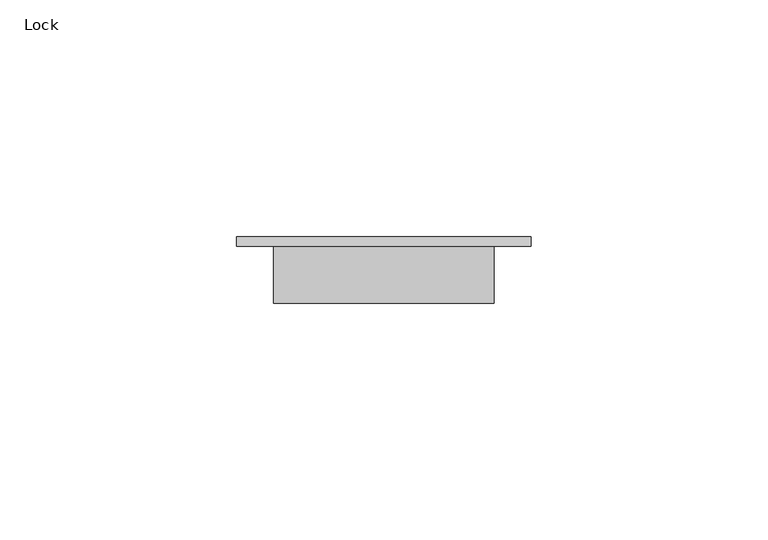
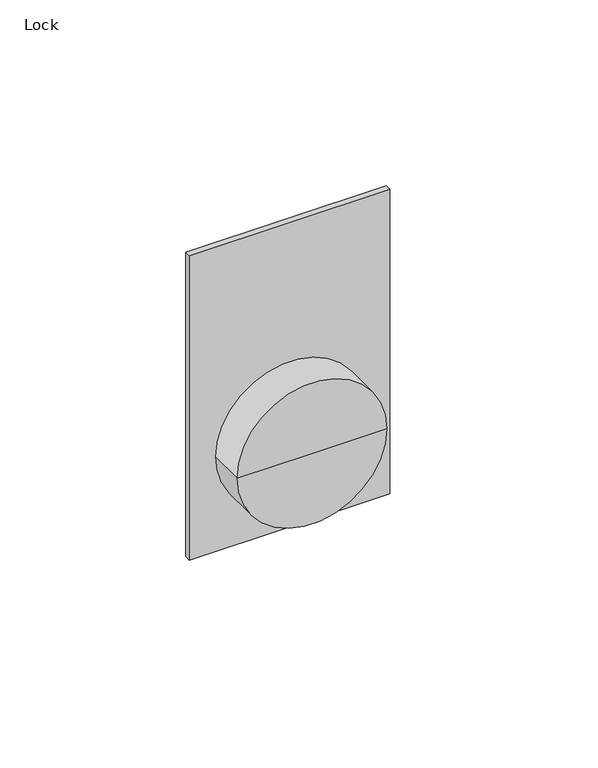
"""IFC4 building model written with IfcOpenShell, lengths in millimetres: proxy geometry, Lock."""

from ifc_helpers import new_model, si_unit, frame, origin, place, context, project, spatial, polyline, circle_curve, outline, extrude, source, transform, mapped, element, save
from ifc_brep_helpers import plane_surface, cylinder_surface, advanced_brep


def lock_9f04ff84(model_context):
    return source(origin(), model_context, "Body", "SolidModel", [
        extrude(outline(polyline([(31.1158313, 0.0), (31.1158313, -1.99898), (-31.1158313, -1.99898), (-31.1158313, 0.0), (31.1158313, 0.0)])), frame((0.0, 0.0, -31.4016254), z_axis=(0.0, 0.0, 1.0), x_axis=(1.0, 0.0, 0.0)), (0.0, 0.0, 1.0), 99.9908934),
        advanced_brep(
        [(0.0, -13.9989804, 0.0), (-23.2394023, -13.9989804, 0.0), (23.2394023, -13.9989804, 0.0), (23.2394023, -1.99898, 0.0), (-23.2394023, -1.99898, 0.0), (0.0, -1.99898, 0.0)],
        [
            (0, 1),
            (1, 2, circle_curve(frame((0.0, -13.9989804, 0.0), z_axis=(0.0, -1.0, 0.0), x_axis=(-1.0, 0.0, 0.0)), 23.2394023)),
            (2, 0),
            (2, 1, circle_curve(frame((0.0, -13.9989804, 0.0), z_axis=(0.0, -1.0, 0.0), x_axis=(-1.0, 0.0, 0.0)), 23.2394023)),
            (3, 4, circle_curve(frame((0.0, -1.99898, 0.0), z_axis=(0.0, 1.0, 0.0), x_axis=(-1.0, 0.0, 0.0)), 23.2394023)),
            (4, 5),
            (5, 3),
            (4, 3, circle_curve(frame((0.0, -1.99898, 0.0), z_axis=(0.0, 1.0, 0.0), x_axis=(-1.0, 0.0, 0.0)), 23.2394023)),
            (1, 4),
            (3, 2),
        ],
        [
            plane_surface(frame((0.0, -13.9989804, 0.0), z_axis=(0.0, -1.0, 0.0), x_axis=(-1.0, 0.0, 0.0))),
            plane_surface(frame((0.0, -1.99898, 0.0), z_axis=(0.0, 1.0, 0.0), x_axis=(-1.0, 0.0, 0.0))),
            cylinder_surface(frame((0.0, 1524.0, 0.0), z_axis=(0.0, -1.0, 0.0), x_axis=(-1.0, 0.0, 0.0)), 23.2394023),
        ],
        [
            (0, [[1, 2, 3]]),
            (0, [[-3, 4, -1]]),
            (1, [[5, 6, 7]]),
            (1, [[8, -7, -6]]),
            (2, [[-2, 9, -5, 10]]),
            (2, [[-4, -10, -8, -9]]),
        ],
    ),
    ])


if __name__ == "__main__":
    model = new_model("IFC4")
    model_context = context("Model", 3, world=origin())
    ifc_project = project(units=[si_unit("LENGTHUNIT", "METRE", prefix="MILLI")], contexts=[model_context])
    site = spatial("IfcSite", under=ifc_project)
    building = spatial("IfcBuilding", under=site)
    placement = place(None, origin())
    lock_shape = lock_9f04ff84(model_context)
    element("IfcBuildingElementProxy", 1, Name="Lock", ObjectType="Lock", at=placement, inside=building, context=model_context, shape_type="MappedRepresentation", body=[
        mapped(lock_shape, transform((0.0, 0.0, 0.0), x_axis=(1.0, 0.0, 0.0), y_axis=(0.0, 1.0, 0.0), z_axis=(0.0, 0.0, 1.0))),
    ])
    save(model, "model.ifc")
